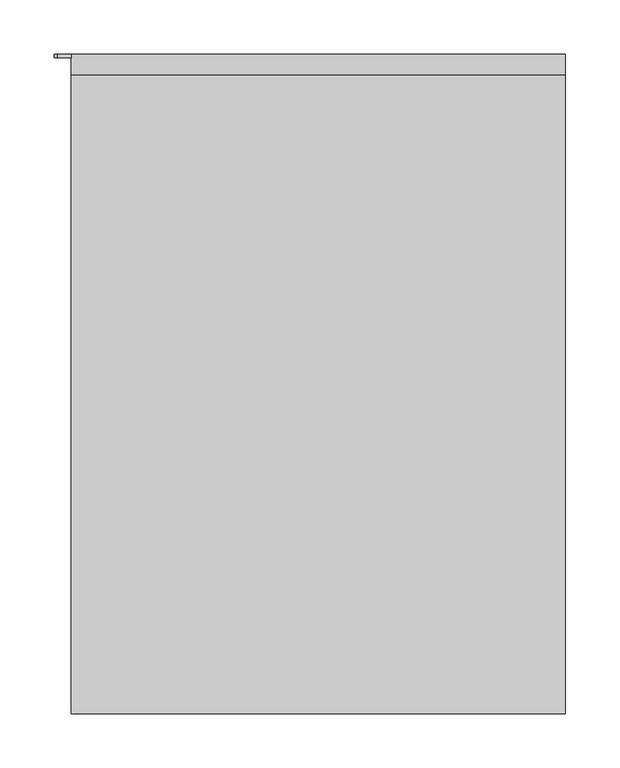
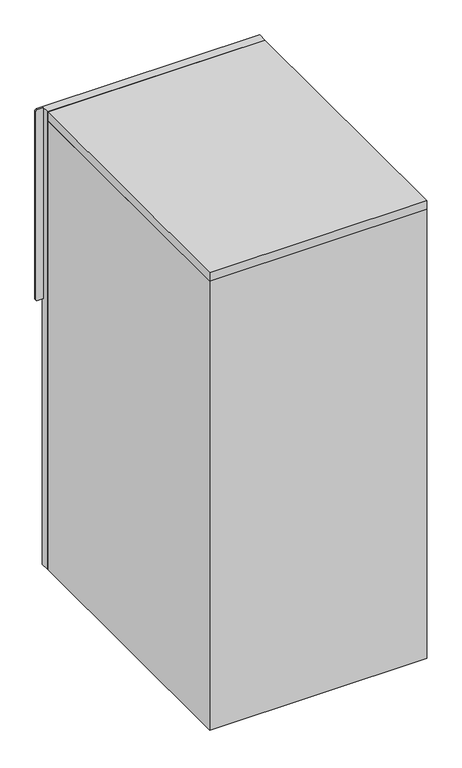
"""IFC4 building model written with IfcOpenShell, lengths in millimetres: furniture geometry."""

from ifc_helpers import new_model, si_unit, point, frame, frame_2d, origin, place, context, project, spatial, polyline, circle_curve, trimmed, segment, composite_curve, outline, extrude, source, transform, mapped, element, save


def furniture_346d0a77(model_context):
    return source(origin(), model_context, "Body", "SweptSolid", [
        extrude(outline(composite_curve([segment(polyline([(1028.7, -228.6), (1028.7, -241.3)]), True, "CONTINUOUS"), segment(trimmed(circle_curve(frame_2d((1025.525, -241.3)), 3.175), [point((1028.7, -241.3))], [point((1025.525, -244.475))], False, "CARTESIAN"), True, "CONTINUOUS"), segment(polyline([(1025.525, -244.475), (606.425, -244.475)]), True, "CONTINUOUS"), segment(trimmed(circle_curve(frame_2d((606.425, -241.3)), 3.175), [point((606.425, -244.475))], [point((603.25, -241.3))], False, "CARTESIAN"), True, "CONTINUOUS"), segment(polyline([(603.25, -241.3), (603.25, -228.6), (1028.7, -228.6)]), True, "CONTINUOUS")], self_intersect=False)), frame((0.0, 606.425, 0.0), z_axis=(0.0, 1.0, 0.0), x_axis=(0.0, 0.0, 1.0)), (0.0, 0.0, 1.0), 3.175),
        extrude(outline(polyline([(228.6, 609.6), (228.6, 590.55), (-228.6, 590.55), (-228.6, 609.6), (228.6, 609.6)])), frame((0.0, 0.0, 9.525), z_axis=(0.0, 0.0, 1.0), x_axis=(1.0, 0.0, 0.0)), (0.0, 0.0, 1.0), 1019.175),
        extrude(outline(polyline([(228.6, 0.0), (-228.6, 0.0), (-228.6, 590.55), (228.6, 590.55), (228.6, 0.0)])), frame((0.0, 0.0, 1009.65), z_axis=(0.0, 0.0, 1.0), x_axis=(1.0, 0.0, 0.0)), (0.0, 0.0, 1.0), 19.05),
        extrude(outline(polyline([(209.55, 19.05), (-209.55, 19.05), (-209.55, 590.55), (209.55, 590.55), (209.55, 19.05)])), frame((0.0, 0.0, 9.525), z_axis=(0.0, 0.0, 1.0), x_axis=(1.0, 0.0, 0.0)), (0.0, 0.0, 1.0), 19.05),
        extrude(outline(polyline([(228.6, 0.0), (-228.6, 0.0), (-228.6, 590.55), (-209.55, 590.55), (-209.55, 19.05), (209.55, 19.05), (209.55, 590.55), (228.6, 590.55), (228.6, 0.0)])), frame((0.0, 0.0, 9.525), z_axis=(0.0, 0.0, 1.0), x_axis=(1.0, 0.0, 0.0)), (0.0, 0.0, 1.0), 1000.125),
    ])


if __name__ == "__main__":
    model = new_model("IFC4")
    model_context = context("Model", 3, world=origin())
    ifc_project = project(units=[si_unit("LENGTHUNIT", "METRE", prefix="MILLI")], contexts=[model_context])
    site = spatial("IfcSite", under=ifc_project)
    building = spatial("IfcBuilding", under=site)
    placement = place(None, origin())
    furniture_shape = furniture_346d0a77(model_context)
    element("IfcFurniture", 1, at=placement, inside=building, context=model_context, shape_type="MappedRepresentation", body=[
        mapped(furniture_shape, transform((0.0, 0.0, 0.0), x_axis=(1.0, 0.0, 0.0), y_axis=(0.0, 1.0, 0.0), z_axis=(0.0, 0.0, 1.0))),
    ])
    save(model, "model.ifc")
